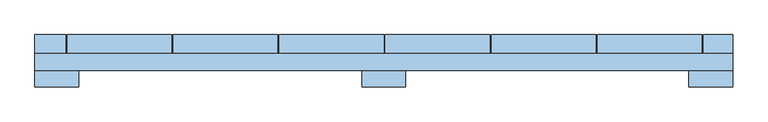
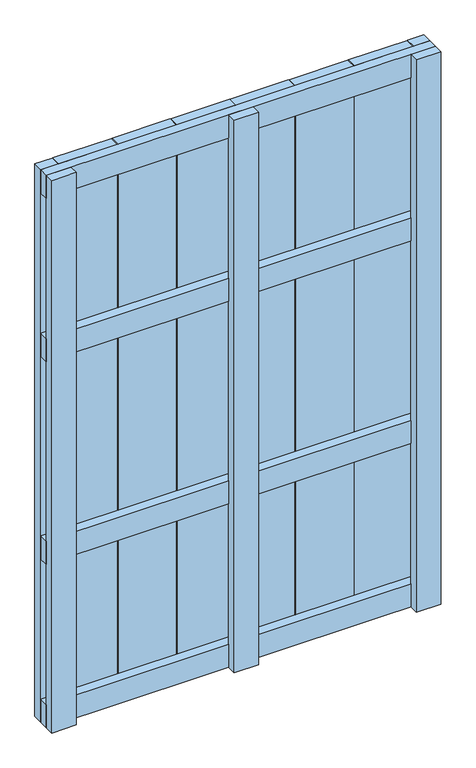
"""IFC4 building model written with IfcOpenShell, lengths in millimetres: window geometry."""

from ifc_helpers import new_model, si_unit, frame, origin, place, context, project, spatial, polyline, outline, extrude, source, transform, mapped, element, save


def window_44709aa0(model_context):
    return source(origin(), model_context, "Body", "SweptSolid", [
        extrude(outline(polyline([(500.0, 23.0), (500.0, -1.0), (-500.0, -1.0), (-500.0, 23.0), (500.0, 23.0)])), frame((0.0, 0.0, 1093.5), z_axis=(0.0, 0.0, 1.0), x_axis=(1.0, 0.0, 0.0)), (0.0, 0.0, 1.0), 63.0),
        extrude(outline(polyline([(500.0, 23.0), (500.0, -1.0), (-500.0, -1.0), (-500.0, 23.0), (500.0, 23.0)])), frame((0.0, 0.0, 543.5), z_axis=(0.0, 0.0, 1.0), x_axis=(1.0, 0.0, 0.0)), (0.0, 0.0, 1.0), 63.0),
        extrude(outline(polyline([(500.0, 23.0), (500.0, -1.0), (-500.0, -1.0), (-500.0, 23.0), (500.0, 23.0)])), frame((0.0, 0.0, 1537.0), z_axis=(0.0, 0.0, 1.0), x_axis=(1.0, 0.0, 0.0)), (0.0, 0.0, 1.0), 63.0),
        extrude(outline(polyline([(500.0, 23.0), (500.0, -1.0), (-500.0, -1.0), (-500.0, 23.0), (500.0, 23.0)])), frame((0.0, 0.0, 100.0), z_axis=(0.0, 0.0, 1.0), x_axis=(1.0, 0.0, 0.0)), (0.0, 0.0, 1.0), 63.0),
        extrude(outline(polyline([(-454.0, 50.0), (-304.0, 50.0), (-304.0, 23.0), (-454.0, 23.0), (-454.0, 50.0)])), frame((0.0, 0.0, 100.0), z_axis=(0.0, 0.0, 1.0), x_axis=(1.0, 0.0, 0.0)), (0.0, 0.0, 1.0), 1500.0),
        extrude(outline(polyline([(-302.0, 50.0), (-152.0, 50.0), (-152.0, 23.0), (-302.0, 23.0), (-302.0, 50.0)])), frame((0.0, 0.0, 100.0), z_axis=(0.0, 0.0, 1.0), x_axis=(1.0, 0.0, 0.0)), (0.0, 0.0, 1.0), 1500.0),
        extrude(outline(polyline([(-150.0, 50.0), (0.0, 50.0), (0.0, 23.0), (-150.0, 23.0), (-150.0, 50.0)])), frame((0.0, 0.0, 100.0), z_axis=(0.0, 0.0, 1.0), x_axis=(1.0, 0.0, 0.0)), (0.0, 0.0, 1.0), 1500.0),
        extrude(outline(polyline([(2.0, 50.0), (152.0, 50.0), (152.0, 23.0), (2.0, 23.0), (2.0, 50.0)])), frame((0.0, 0.0, 100.0), z_axis=(0.0, 0.0, 1.0), x_axis=(1.0, 0.0, 0.0)), (0.0, 0.0, 1.0), 1500.0),
        extrude(outline(polyline([(154.0, 50.0), (304.0, 50.0), (304.0, 23.0), (154.0, 23.0), (154.0, 50.0)])), frame((0.0, 0.0, 100.0), z_axis=(0.0, 0.0, 1.0), x_axis=(1.0, 0.0, 0.0)), (0.0, 0.0, 1.0), 1500.0),
        extrude(outline(polyline([(306.0, 50.0), (456.0, 50.0), (456.0, 23.0), (306.0, 23.0), (306.0, 50.0)])), frame((0.0, 0.0, 100.0), z_axis=(0.0, 0.0, 1.0), x_axis=(1.0, 0.0, 0.0)), (0.0, 0.0, 1.0), 1500.0),
        extrude(outline(polyline([(-500.0, 50.0), (-456.0, 50.0), (-456.0, 23.0), (-500.0, 23.0), (-500.0, 50.0)])), frame((0.0, 0.0, 100.0), z_axis=(0.0, 0.0, 1.0), x_axis=(1.0, 0.0, 0.0)), (0.0, 0.0, 1.0), 1500.0),
        extrude(outline(polyline([(458.0, 50.0), (500.0, 50.0), (500.0, 23.0), (458.0, 23.0), (458.0, 50.0)])), frame((0.0, 0.0, 100.0), z_axis=(0.0, 0.0, 1.0), x_axis=(1.0, 0.0, 0.0)), (0.0, 0.0, 1.0), 1500.0),
        extrude(outline(polyline([(-31.5, -0.9), (31.5, -0.9), (31.5, -24.9), (-31.5, -24.9), (-31.5, -0.9)])), frame((0.0, 0.0, 100.0), z_axis=(0.0, 0.0, 1.0), x_axis=(1.0, 0.0, 0.0)), (0.0, 0.0, 1.0), 1500.0),
        extrude(outline(polyline([(-500.0, -1.0), (-437.0, -1.0), (-437.0, -25.0), (-500.0, -25.0), (-500.0, -1.0)])), frame((0.0, 0.0, 100.0), z_axis=(0.0, 0.0, 1.0), x_axis=(1.0, 0.0, 0.0)), (0.0, 0.0, 1.0), 1500.0),
        extrude(outline(polyline([(437.0, -1.0), (500.0, -1.0), (500.0, -25.0), (437.0, -25.0), (437.0, -1.0)])), frame((0.0, 0.0, 100.0), z_axis=(0.0, 0.0, 1.0), x_axis=(1.0, 0.0, 0.0)), (0.0, 0.0, 1.0), 1500.0),
    ])


if __name__ == "__main__":
    model = new_model("IFC4")
    model_context = context("Model", 3, world=origin())
    ifc_project = project(units=[si_unit("LENGTHUNIT", "METRE", prefix="MILLI")], contexts=[model_context])
    site = spatial("IfcSite", under=ifc_project)
    building = spatial("IfcBuilding", under=site)
    placement = place(None, origin())
    window_shape = window_44709aa0(model_context)
    element("IfcWindow", 1, at=placement, inside=building, context=model_context, shape_type="MappedRepresentation", body=[
        mapped(window_shape, transform((0.0, 0.0, 0.0), x_axis=(1.0, 0.0, 0.0), y_axis=(0.0, 1.0, 0.0), z_axis=(0.0, 0.0, 1.0))),
    ])
    save(model, "model.ifc")
